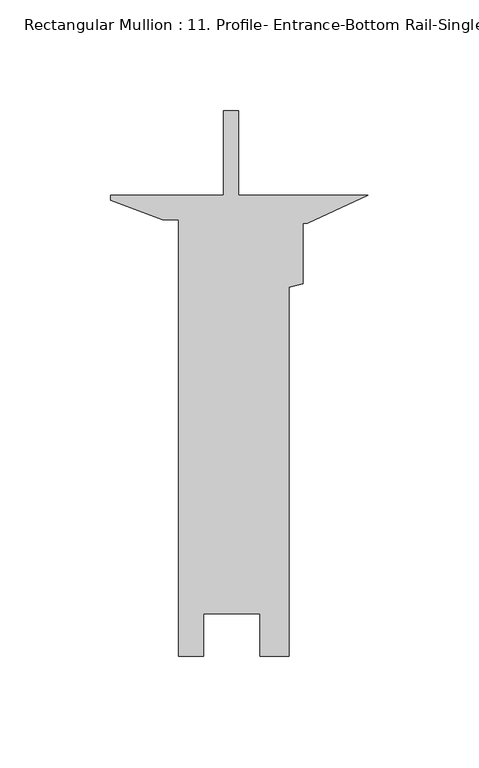
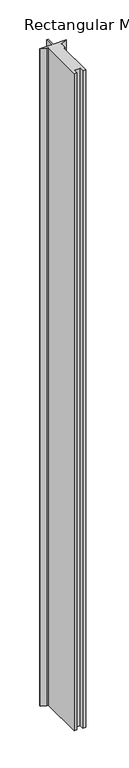
"""IFC4 building model written with IfcOpenShell, lengths in millimetres: member geometry, Rectangular Mullion : 11. Profile- Entrance-Bottom Rail-Single Acting- Detail-2."""

import ifcopenshell
import ifcopenshell.guid

model = None  # the IFC model being written
_history = None  # IfcOwnerHistory: only IFC2X3 demands one
_inside = {}  # id of a spatial element -> (the spatial element, [elements in it])
_under = {}  # id of a project, library or spatial element -> (it, [spatial elements below it])
_declared = {}  # id of a project -> (the project, [libraries it declares])
_typed = {}  # id of a type object -> (the type object, [elements of that type])
_made_of = {}  # id of a material, layer set ... -> (it, [elements and type objects made of it])


def new_model(schema):
    """Start an empty IFC model of exactly this schema.

    Asked for "IFC4X3", IfcOpenShell would pick the latest addendum, in which some entities
    have other attributes; the version numbers below select the first issue.
    IFC2X3 requires an IfcOwnerHistory on every rooted entity: one is made here for all.
    """
    global model, _history
    if schema == "IFC4X3":
        model = ifcopenshell.file(schema_version=(4, 3, 0, 0))
    else:
        model = ifcopenshell.file(schema=schema)
    _inside.clear()
    _under.clear()
    _declared.clear()
    _typed.clear()
    _made_of.clear()
    _history = None
    if model.schema == "IFC2X3":
        org = make("IfcOrganization", Name="unknown")
        user = make(
            "IfcPersonAndOrganization",
            ThePerson=make("IfcPerson", FamilyName="unknown"),
            TheOrganization=org,
        )
        app = make(
            "IfcApplication",
            ApplicationDeveloper=org,
            Version="unknown",
            ApplicationFullName="unknown",
            ApplicationIdentifier="unknown",
        )
        _history = make(
            "IfcOwnerHistory",
            OwningUser=user,
            OwningApplication=app,
            ChangeAction="ADDED",
            CreationDate=0,
        )
    return model


def make(cls, **values):
    """One entity of the class cls with the attributes given. An attribute that is None is left unset."""
    return model.create_entity(
        cls, **{name: value for name, value in values.items() if value is not None}
    )


def rooted(cls, **values):
    """An entity with a GlobalId (a new one), such as an element, a storey or a relation."""
    return make(cls, GlobalId=ifcopenshell.guid.new(), OwnerHistory=_history, **values)


def si_unit(unit_type, name, prefix=None):
    """IfcSIUnit, for example si_unit("LENGTHUNIT", "METRE", prefix="MILLI")."""
    return make("IfcSIUnit", UnitType=unit_type, Prefix=prefix, Name=name)


def assignment(units):
    """IfcUnitAssignment: the units of a project."""
    return None if units is None else make("IfcUnitAssignment", Units=units)


def point(xyz):
    """IfcCartesianPoint."""
    return None if xyz is None else make("IfcCartesianPoint", Coordinates=xyz)


def direction(xyz):
    """IfcDirection."""
    return None if xyz is None else make("IfcDirection", DirectionRatios=xyz)


def frame(location, z_axis=None, x_axis=None):
    """IfcAxis2Placement3D, a coordinate frame: its origin and axes. An axis left out is left unset."""
    return make(
        "IfcAxis2Placement3D",
        Location=point(location),
        Axis=direction(z_axis),
        RefDirection=direction(x_axis),
    )


def origin():
    """The frame at (0, 0, 0) with its axes left unset."""
    return frame((0.0, 0.0, 0.0))


def place(relative_to, where):
    """IfcLocalPlacement: puts the frame where relative to a parent placement (None: the world)."""
    return make(
        "IfcLocalPlacement", PlacementRelTo=relative_to, RelativePlacement=where
    )


def context(
    kind, dimensions, precision=None, world=None, true_north=None, identifier=None
):
    """IfcGeometricRepresentationContext, for example the 3D "Model" context."""
    return make(
        "IfcGeometricRepresentationContext",
        ContextIdentifier=identifier,
        ContextType=kind,
        CoordinateSpaceDimension=dimensions,
        Precision=precision,
        WorldCoordinateSystem=world,
        TrueNorth=true_north,
    )


def project(units=None, contexts=None):
    """IfcProject with its units and contexts."""
    return rooted(
        "IfcProject",
        Name="project",
        RepresentationContexts=contexts,
        UnitsInContext=assignment(units),
    )


def spatial(cls, under=None, at=None, **own):
    """A site, building, storey or space (cls), placed at a placement, below another one or the project."""
    s = rooted(cls, ObjectPlacement=at, **own)
    if under is not None:
        _under.setdefault(under.id(), (under, []))[1].append(s)
    return s


def polyline(points):
    """IfcPolyline through the points."""
    return make("IfcPolyline", Points=[point(p) for p in points])


def outline(outer, holes=None, kind="AREA"):
    """IfcArbitraryClosedProfileDef: a profile drawn as a closed curve; with holes, ...WithVoids."""
    if holes is None:
        return make("IfcArbitraryClosedProfileDef", ProfileType=kind, OuterCurve=outer)
    return make(
        "IfcArbitraryProfileDefWithVoids",
        ProfileType=kind,
        OuterCurve=outer,
        InnerCurves=holes,
    )


def extrude(swept, where, along, depth):
    """IfcExtrudedAreaSolid: the profile swept, set in the frame where, extruded along a direction by depth."""
    return make(
        "IfcExtrudedAreaSolid",
        SweptArea=swept,
        Position=where,
        ExtrudedDirection=direction(along),
        Depth=depth,
    )


def shape(context_of_items, identifier, shape_type, items):
    """IfcShapeRepresentation: the items that make up one representation, for example the "Body"."""
    return make(
        "IfcShapeRepresentation",
        ContextOfItems=context_of_items,
        RepresentationIdentifier=identifier,
        RepresentationType=shape_type,
        Items=items,
    )


def source(mapping_origin, context_of_items, identifier, shape_type, items):
    """IfcRepresentationMap: a shape defined once, which mapped items show again and again."""
    return make(
        "IfcRepresentationMap",
        MappingOrigin=mapping_origin,
        MappedRepresentation=shape(context_of_items, identifier, shape_type, items),
    )


def transform(
    local_origin,
    x_axis=None,
    y_axis=None,
    z_axis=None,
    scale=None,
    scale2=None,
    scale3=None,
    uniform=True,
):
    """IfcCartesianTransformationOperator3D, or its non-uniform kind. x_axis, y_axis, z_axis: its Axis1, 2, 3."""
    if uniform:
        return make(
            "IfcCartesianTransformationOperator3D",
            Axis1=direction(x_axis),
            Axis2=direction(y_axis),
            LocalOrigin=point(local_origin),
            Scale=scale,
            Axis3=direction(z_axis),
        )
    return make(
        "IfcCartesianTransformationOperator3DnonUniform",
        Axis1=direction(x_axis),
        Axis2=direction(y_axis),
        LocalOrigin=point(local_origin),
        Scale=scale,
        Axis3=direction(z_axis),
        Scale2=scale2,
        Scale3=scale3,
    )


def mapped(mapping_source, mapping_target):
    """IfcMappedItem: shows the shape of a source again, moved by a transform."""
    return make(
        "IfcMappedItem", MappingSource=mapping_source, MappingTarget=mapping_target
    )


def made_of(thing, what):
    """Note that an element or type object is made of a material, layer set ...; save() writes the relation."""
    if what is not None:
        _made_of.setdefault(what.id(), (what, []))[1].append(thing)
    return thing


def element(
    cls,
    number,
    at=None,
    inside=None,
    cuts=None,
    type_object=None,
    material=None,
    context=None,
    identifier="Body",
    shape_type=None,
    held_by="IfcProductDefinitionShape",
    body=None,
    shapes=None,
    **own,
):
    """One element of the class cls, such as IfcWall. Its Tag is "e" and its number.

    at: its placement. inside: the storey or other place that contains it. cuts: it is an
    opening in that element (IfcRelVoidsElement). A single representation is given by context,
    identifier, shape_type and body (its items); several are given by shapes. held_by: the class
    of the entity that holds the representations. save() writes the other relations.
    """
    e = rooted(cls, Tag="e%d" % number, ObjectPlacement=at, **own)
    if body is not None:
        shapes = [shape(context, identifier, shape_type, body)]
    if shapes is not None:
        e.Representation = make(held_by, Representations=shapes)
    if inside is not None:
        _inside.setdefault(inside.id(), (inside, []))[1].append(e)
    if cuts is not None:
        rooted(
            "IfcRelVoidsElement", RelatingBuildingElement=cuts, RelatedOpeningElement=e
        )
    if type_object is not None:
        _typed.setdefault(type_object.id(), (type_object, []))[1].append(e)
    return made_of(e, material)


def aggregate(whole, parts):
    """IfcRelAggregates: a whole, such as a stair, and the parts it consists of."""
    return rooted("IfcRelAggregates", RelatingObject=whole, RelatedObjects=parts)


def save(model, path):
    """Write the relations noted so far, then the file.

    IfcRelAggregates (storeys below a building ...), IfcRelContainedInSpatialStructure (elements
    in a storey), IfcRelDefinesByType, IfcRelAssociatesMaterial and IfcRelDeclares: one each for
    every whole, place, type object, material and project.
    """
    for whole, parts in _under.values():
        aggregate(whole, parts)
    for where, things in _inside.values():
        rooted(
            "IfcRelContainedInSpatialStructure",
            RelatedElements=things,
            RelatingStructure=where,
        )
    for kind, things in _typed.values():
        rooted("IfcRelDefinesByType", RelatedObjects=things, RelatingType=kind)
    for what, things in _made_of.values():
        rooted("IfcRelAssociatesMaterial", RelatedObjects=things, RelatingMaterial=what)
    for by, libraries in _declared.values():
        rooted("IfcRelDeclares", RelatingContext=by, RelatedDefinitions=libraries)
    model.write(path)


def rectangular_mullion_11_profile_entrance_bottom_rail_single_97474e0b(model_context):
    return source(origin(), model_context, "Body", "SweptSolid", [
        extrude(outline(polyline([(-116.2538462, -2.3800236), (-116.2538462, 0.0), (-65.3347837, 0.0), (-65.3347837, 38.0987736), (-58.6037837, 38.0987736), (-58.6037837, 0.0012264), (0.0, 0.0012264), (-27.3538462, -12.6987736), (-29.4493462, -12.6987736), (-29.4493462, -39.9380562), (-35.7993462, -41.6395336), (-35.7993462, -207.9625449), (-48.8295462, -207.9625449), (-48.8295462, -188.9379449), (-74.2257406, -188.9379449), (-74.2257406, -207.96377), (-85.5833462, -207.96377), (-85.5833462, -11.1112736), (-92.8382212, -11.1112736), (-116.2538462, -2.3800236)])), frame((0.0, 0.0, -3048.0), z_axis=(0.0, 0.0, 1.0), x_axis=(1.0, 0.0, 0.0)), (0.0, 0.0, 1.0), 3048.0),
    ])


if __name__ == "__main__":
    model = new_model("IFC4")
    model_context = context("Model", 3, world=origin())
    ifc_project = project(units=[si_unit("LENGTHUNIT", "METRE", prefix="MILLI")], contexts=[model_context])
    site = spatial("IfcSite", under=ifc_project)
    building = spatial("IfcBuilding", under=site)
    placement = place(None, origin())
    rectangular_mullion_11_profile_entrance_bottom_rail_single_shape = rectangular_mullion_11_profile_entrance_bottom_rail_single_97474e0b(model_context)
    element("IfcMember", 1, ObjectType="Rectangular Mullion : 11. Profile- Entrance-Bottom Rail-Single Acting- Detail-2", at=placement, inside=building, context=model_context, shape_type="MappedRepresentation", body=[
        mapped(rectangular_mullion_11_profile_entrance_bottom_rail_single_shape, transform((0.0, 0.0, 0.0), x_axis=(1.0, 0.0, 0.0), y_axis=(0.0, 1.0, 0.0), z_axis=(0.0, 0.0, 1.0))),
    ])
    save(model, "model.ifc")
